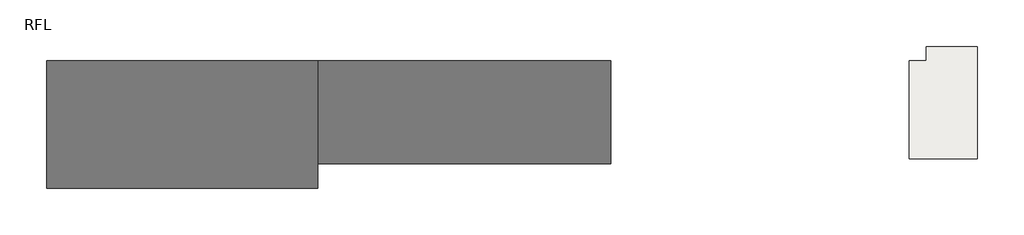
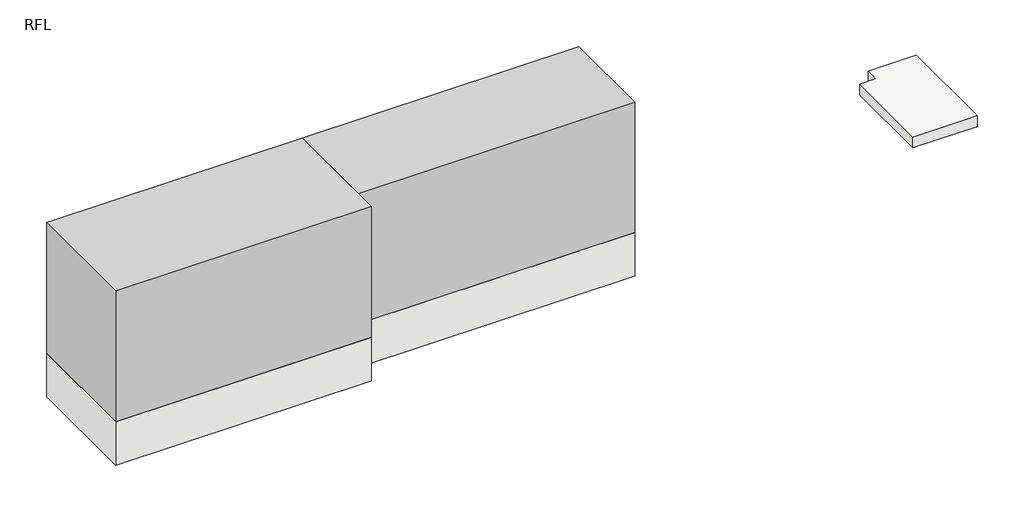
# One storey: 3 slabs, 2 proxies.
"""IFC4 building model written with IfcOpenShell, lengths in millimetres."""

from ifc_helpers import new_model, si_unit, frame, origin, place, context, project, spatial, polyline, outline, extrude, element, save

model = new_model("IFC4")

# Units and contexts
model_context = context("Model", 3, world=origin())
ifc_project = project(units=[si_unit("LENGTHUNIT", "METRE", prefix="MILLI")], contexts=[model_context])

# Site, building, storey
site = spatial("IfcSite", under=ifc_project)
building = spatial("IfcBuilding", under=site)
storey = spatial("IfcBuildingStorey", under=building, Name="RFL", Elevation=32600.0)

# Proxies
placement = place(None, origin())
element("IfcBuildingElementProxy", 1, Name="Mass", at=placement, inside=storey, context=model_context, shape_type="SweptSolid", body=[
    extrude(outline(polyline([(-9395.9784025, 15749.6868987), (-9395.9784025, 13649.6868987), (-15395.9784025, 13649.6868987), (-15395.9784025, 15749.6868987), (-9395.9784025, 15749.6868987)])), frame((0.0, 0.0, 32600.0), z_axis=(0.0, 0.0, 1.0), x_axis=(1.0, 0.0, 0.0)), (0.0, 0.0, 1.0), 3000.0),
])
element("IfcBuildingElementProxy", 2, Name="Mass", at=placement, inside=storey, context=model_context, shape_type="SweptSolid", body=[
    extrude(outline(polyline([(-15395.9784025, 15749.6868987), (-15395.9784025, 13149.6868987), (-20945.9784025, 13149.6868987), (-20945.9784025, 15749.6868987), (-15395.9784025, 15749.6868987)])), frame((0.0, 0.0, 32600.0), z_axis=(0.0, 0.0, 1.0), x_axis=(1.0, 0.0, 0.0)), (0.0, 0.0, 1.0), 3000.0),
])

# Slabs
element("IfcSlab", 3, at=placement, inside=storey, context=model_context, shape_type="SweptSolid", body=[
    extrude(outline(polyline([(-9395.9784025, 15749.6868987), (-9395.9784025, 13649.6868987), (-15395.9784025, 13649.6868987), (-15395.9784025, 15749.6868987), (-9395.9784025, 15749.6868987)])), frame((0.0, 0.0, 31600.0), z_axis=(0.0, 0.0, 1.0), x_axis=(1.0, 0.0, 0.0)), (0.0, 0.0, 1.0), 1000.0),
])
element("IfcSlab", 4, at=placement, inside=storey, context=model_context, shape_type="SweptSolid", body=[
    extrude(outline(polyline([(-15395.9784025, 15749.6868987), (-15395.9784025, 13149.6868987), (-20945.9784025, 13149.6868987), (-20945.9784025, 15749.6868987), (-15395.9784025, 15749.6868987)])), frame((0.0, 0.0, 31600.0), z_axis=(0.0, 0.0, 1.0), x_axis=(1.0, 0.0, 0.0)), (0.0, 0.0, 1.0), 1000.0),
])
element("IfcSlab", 5, ObjectType="RC250", at=placement, inside=storey, context=model_context, shape_type="SweptSolid", body=[
    extrude(outline(polyline([(-3295.9784025, 13749.6868987), (-3295.9784025, 15749.6868987), (-2945.9784025, 15749.6868987), (-2945.9784025, 16044.6868987), (-1895.9784025, 16044.6868987), (-1895.9784025, 13749.6868987), (-3295.9784025, 13749.6868987)])), frame((0.0, 0.0, 32350.0), z_axis=(0.0, 0.0, 1.0), x_axis=(1.0, 0.0, 0.0)), (0.0, 0.0, 1.0), 250.0),
])

save(model, "model.ifc")
